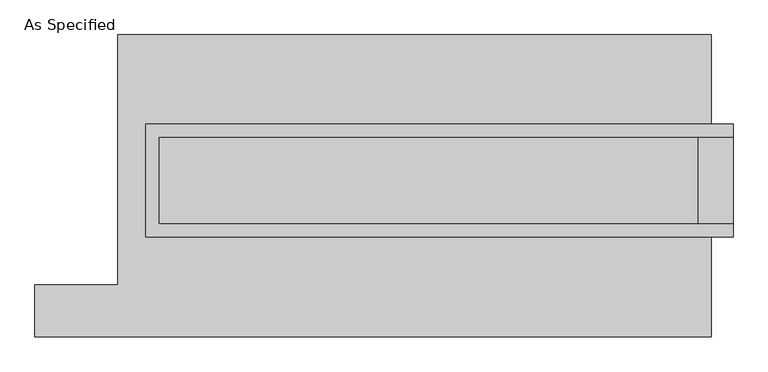
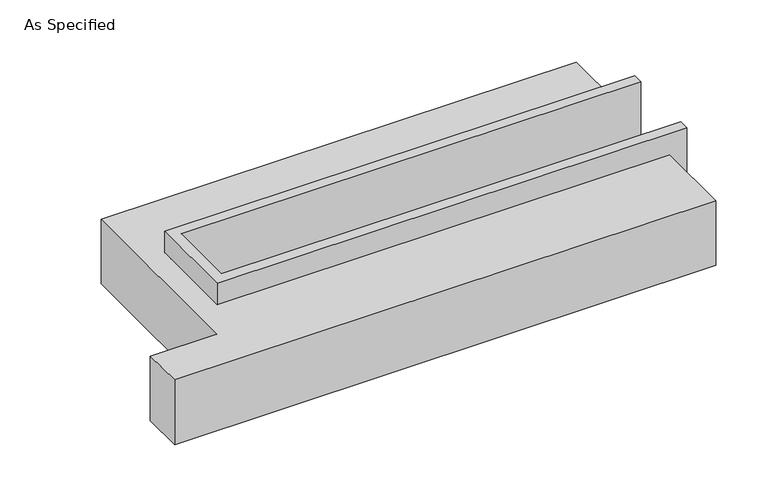
"""IFC4 building model written with IfcOpenShell, lengths in millimetres: proxy geometry, As Specified."""

from ifc_helpers import new_model, si_unit, origin, place, context, project, spatial, faceted_brep, source, transform, mapped, element, save


def as_specified_3fb27730(model_context):
    return source(origin(), model_context, "Body", "Brep", [
        faceted_brep([(-1568.45, 361.95, 139.7), (-1568.45, 361.95, -393.7), (-1568.45, 285.75, -393.7), (-1568.45, 285.75, -25.4), (-1568.45, -222.25, -25.4), (-1568.45, -222.25, -393.7), (-1568.45, -298.45, -393.7), (-1568.45, -298.45, 139.7), (1860.55, 285.75, 139.7), (1860.55, 285.75, -317.5), (1860.55, -222.25, -317.5), (1860.55, -222.25, 139.7), (1860.55, -298.45, 139.7), (1860.55, -298.45, -393.7), (1860.55, 361.95, -393.7), (1860.55, 361.95, 139.7), (-1492.25, -222.25, 139.7), (-1492.25, 285.75, 139.7), (1657.35, -222.25, -393.7), (1657.35, 285.75, -393.7), (1657.35, -222.25, -317.5), (-1492.25, -222.25, -25.4), (1657.35, 285.75, -317.5), (-1492.25, 285.75, -25.4)], [[[0, 1, 2, 3, 4, 5, 6, 7]], [[8, 9, 10, 11, 12, 13, 14, 15]], [[0, 7, 12, 11, 16, 17, 8, 15]], [[1, 0, 15, 14]], [[14, 13, 6, 5, 18, 19, 2, 1]], [[7, 6, 13, 12]], [[11, 10, 20, 18, 5, 4, 21, 16]], [[10, 9, 22, 20]], [[9, 8, 17, 23, 3, 2, 19, 22]], [[18, 20, 22, 19]], [[23, 21, 4, 3]], [[17, 16, 21, 23]]]),
        faceted_brep([(-1733.55, 882.65, -523.9742188), (1733.55, 882.65, -523.9742188), (1733.55, -882.65, -523.9742188), (-2216.15, -882.65, -523.9742188), (-2216.15, -577.85, -523.9742188), (-1733.55, -577.85, -523.9742188), (1733.55, 882.65, -25.4), (-1733.55, 882.65, -25.4), (-1733.55, -577.85, -25.4), (-2216.15, -577.85, -25.4), (-2216.15, -882.65, -25.4), (1733.55, -882.65, -25.4), (1733.55, -298.45, -25.4), (-1568.45, -298.45, -25.4), (-1568.45, 361.95, -25.4), (1733.55, 361.95, -25.4), (1733.55, 361.95, -393.7), (1733.55, -298.45, -393.7), (-1568.45, -298.45, -393.7), (-1568.45, 361.95, -393.7)], [[[0, 1, 2, 3, 4, 5]], [[6, 7, 8, 9, 10, 11, 12, 13, 14, 15]], [[1, 0, 7, 6]], [[7, 0, 5, 8]], [[1, 6, 15, 16, 17, 12, 11, 2]], [[3, 2, 11, 10]], [[18, 19, 14, 13]], [[14, 19, 16, 15]], [[19, 18, 17, 16]], [[18, 13, 12, 17]], [[5, 4, 9, 8]], [[4, 3, 10, 9]]]),
    ])


if __name__ == "__main__":
    model = new_model("IFC4")
    model_context = context("Model", 3, world=origin())
    ifc_project = project(units=[si_unit("LENGTHUNIT", "METRE", prefix="MILLI")], contexts=[model_context])
    site = spatial("IfcSite", under=ifc_project)
    building = spatial("IfcBuilding", under=site)
    placement = place(None, origin())
    as_specified_shape = as_specified_3fb27730(model_context)
    element("IfcBuildingElementProxy", 1, Name="As Specified", ObjectType="As Specified", at=placement, inside=building, context=model_context, shape_type="MappedRepresentation", body=[
        mapped(as_specified_shape, transform((0.0, 0.0, 0.0), x_axis=(1.0, 0.0, 0.0), y_axis=(0.0, 1.0, 0.0), z_axis=(0.0, 0.0, 1.0))),
    ])
    save(model, "model.ifc")
